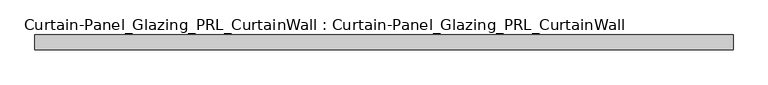
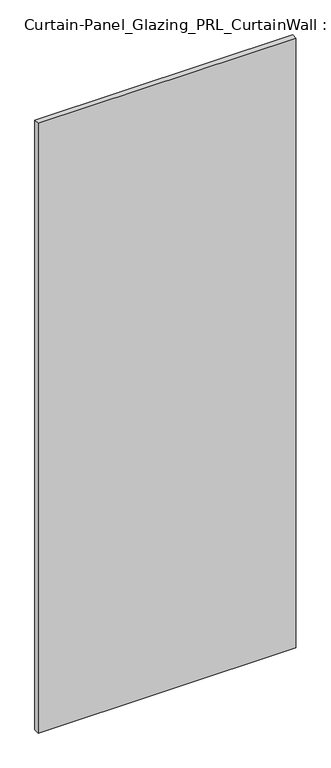
"""IFC4 building model written with IfcOpenShell, lengths in millimetres: plate geometry, Curtain-Panel_Glazing_PRL_CurtainWall : Curtain-Panel_Glazing_PRL_CurtainWall."""

import ifcopenshell
import ifcopenshell.guid

model = None  # the IFC model being written
_history = None  # IfcOwnerHistory: only IFC2X3 demands one
_inside = {}  # id of a spatial element -> (the spatial element, [elements in it])
_under = {}  # id of a project, library or spatial element -> (it, [spatial elements below it])
_declared = {}  # id of a project -> (the project, [libraries it declares])
_typed = {}  # id of a type object -> (the type object, [elements of that type])
_made_of = {}  # id of a material, layer set ... -> (it, [elements and type objects made of it])


def new_model(schema):
    """Start an empty IFC model of exactly this schema.

    Asked for "IFC4X3", IfcOpenShell would pick the latest addendum, in which some entities
    have other attributes; the version numbers below select the first issue.
    IFC2X3 requires an IfcOwnerHistory on every rooted entity: one is made here for all.
    """
    global model, _history
    if schema == "IFC4X3":
        model = ifcopenshell.file(schema_version=(4, 3, 0, 0))
    else:
        model = ifcopenshell.file(schema=schema)
    _inside.clear()
    _under.clear()
    _declared.clear()
    _typed.clear()
    _made_of.clear()
    _history = None
    if model.schema == "IFC2X3":
        org = make("IfcOrganization", Name="unknown")
        user = make(
            "IfcPersonAndOrganization",
            ThePerson=make("IfcPerson", FamilyName="unknown"),
            TheOrganization=org,
        )
        app = make(
            "IfcApplication",
            ApplicationDeveloper=org,
            Version="unknown",
            ApplicationFullName="unknown",
            ApplicationIdentifier="unknown",
        )
        _history = make(
            "IfcOwnerHistory",
            OwningUser=user,
            OwningApplication=app,
            ChangeAction="ADDED",
            CreationDate=0,
        )
    return model


def make(cls, **values):
    """One entity of the class cls with the attributes given. An attribute that is None is left unset."""
    return model.create_entity(
        cls, **{name: value for name, value in values.items() if value is not None}
    )


def rooted(cls, **values):
    """An entity with a GlobalId (a new one), such as an element, a storey or a relation."""
    return make(cls, GlobalId=ifcopenshell.guid.new(), OwnerHistory=_history, **values)


def si_unit(unit_type, name, prefix=None):
    """IfcSIUnit, for example si_unit("LENGTHUNIT", "METRE", prefix="MILLI")."""
    return make("IfcSIUnit", UnitType=unit_type, Prefix=prefix, Name=name)


def assignment(units):
    """IfcUnitAssignment: the units of a project."""
    return None if units is None else make("IfcUnitAssignment", Units=units)


def point(xyz):
    """IfcCartesianPoint."""
    return None if xyz is None else make("IfcCartesianPoint", Coordinates=xyz)


def direction(xyz):
    """IfcDirection."""
    return None if xyz is None else make("IfcDirection", DirectionRatios=xyz)


def frame(location, z_axis=None, x_axis=None):
    """IfcAxis2Placement3D, a coordinate frame: its origin and axes. An axis left out is left unset."""
    return make(
        "IfcAxis2Placement3D",
        Location=point(location),
        Axis=direction(z_axis),
        RefDirection=direction(x_axis),
    )


def origin():
    """The frame at (0, 0, 0) with its axes left unset."""
    return frame((0.0, 0.0, 0.0))


def origin_with_axes():
    """The frame at (0, 0, 0) with the z axis (0, 0, 1) and the x axis (1, 0, 0) written out."""
    return frame((0.0, 0.0, 0.0), z_axis=(0.0, 0.0, 1.0), x_axis=(1.0, 0.0, 0.0))


def place(relative_to, where):
    """IfcLocalPlacement: puts the frame where relative to a parent placement (None: the world)."""
    return make(
        "IfcLocalPlacement", PlacementRelTo=relative_to, RelativePlacement=where
    )


def context(
    kind, dimensions, precision=None, world=None, true_north=None, identifier=None
):
    """IfcGeometricRepresentationContext, for example the 3D "Model" context."""
    return make(
        "IfcGeometricRepresentationContext",
        ContextIdentifier=identifier,
        ContextType=kind,
        CoordinateSpaceDimension=dimensions,
        Precision=precision,
        WorldCoordinateSystem=world,
        TrueNorth=true_north,
    )


def project(units=None, contexts=None):
    """IfcProject with its units and contexts."""
    return rooted(
        "IfcProject",
        Name="project",
        RepresentationContexts=contexts,
        UnitsInContext=assignment(units),
    )


def spatial(cls, under=None, at=None, **own):
    """A site, building, storey or space (cls), placed at a placement, below another one or the project."""
    s = rooted(cls, ObjectPlacement=at, **own)
    if under is not None:
        _under.setdefault(under.id(), (under, []))[1].append(s)
    return s


def polyline(points):
    """IfcPolyline through the points."""
    return make("IfcPolyline", Points=[point(p) for p in points])


def outline(outer, holes=None, kind="AREA"):
    """IfcArbitraryClosedProfileDef: a profile drawn as a closed curve; with holes, ...WithVoids."""
    if holes is None:
        return make("IfcArbitraryClosedProfileDef", ProfileType=kind, OuterCurve=outer)
    return make(
        "IfcArbitraryProfileDefWithVoids",
        ProfileType=kind,
        OuterCurve=outer,
        InnerCurves=holes,
    )


def extrude(swept, where, along, depth):
    """IfcExtrudedAreaSolid: the profile swept, set in the frame where, extruded along a direction by depth."""
    return make(
        "IfcExtrudedAreaSolid",
        SweptArea=swept,
        Position=where,
        ExtrudedDirection=direction(along),
        Depth=depth,
    )


def shape(context_of_items, identifier, shape_type, items):
    """IfcShapeRepresentation: the items that make up one representation, for example the "Body"."""
    return make(
        "IfcShapeRepresentation",
        ContextOfItems=context_of_items,
        RepresentationIdentifier=identifier,
        RepresentationType=shape_type,
        Items=items,
    )


def source(mapping_origin, context_of_items, identifier, shape_type, items):
    """IfcRepresentationMap: a shape defined once, which mapped items show again and again."""
    return make(
        "IfcRepresentationMap",
        MappingOrigin=mapping_origin,
        MappedRepresentation=shape(context_of_items, identifier, shape_type, items),
    )


def transform(
    local_origin,
    x_axis=None,
    y_axis=None,
    z_axis=None,
    scale=None,
    scale2=None,
    scale3=None,
    uniform=True,
):
    """IfcCartesianTransformationOperator3D, or its non-uniform kind. x_axis, y_axis, z_axis: its Axis1, 2, 3."""
    if uniform:
        return make(
            "IfcCartesianTransformationOperator3D",
            Axis1=direction(x_axis),
            Axis2=direction(y_axis),
            LocalOrigin=point(local_origin),
            Scale=scale,
            Axis3=direction(z_axis),
        )
    return make(
        "IfcCartesianTransformationOperator3DnonUniform",
        Axis1=direction(x_axis),
        Axis2=direction(y_axis),
        LocalOrigin=point(local_origin),
        Scale=scale,
        Axis3=direction(z_axis),
        Scale2=scale2,
        Scale3=scale3,
    )


def mapped(mapping_source, mapping_target):
    """IfcMappedItem: shows the shape of a source again, moved by a transform."""
    return make(
        "IfcMappedItem", MappingSource=mapping_source, MappingTarget=mapping_target
    )


def made_of(thing, what):
    """Note that an element or type object is made of a material, layer set ...; save() writes the relation."""
    if what is not None:
        _made_of.setdefault(what.id(), (what, []))[1].append(thing)
    return thing


def element(
    cls,
    number,
    at=None,
    inside=None,
    cuts=None,
    type_object=None,
    material=None,
    context=None,
    identifier="Body",
    shape_type=None,
    held_by="IfcProductDefinitionShape",
    body=None,
    shapes=None,
    **own,
):
    """One element of the class cls, such as IfcWall. Its Tag is "e" and its number.

    at: its placement. inside: the storey or other place that contains it. cuts: it is an
    opening in that element (IfcRelVoidsElement). A single representation is given by context,
    identifier, shape_type and body (its items); several are given by shapes. held_by: the class
    of the entity that holds the representations. save() writes the other relations.
    """
    e = rooted(cls, Tag="e%d" % number, ObjectPlacement=at, **own)
    if body is not None:
        shapes = [shape(context, identifier, shape_type, body)]
    if shapes is not None:
        e.Representation = make(held_by, Representations=shapes)
    if inside is not None:
        _inside.setdefault(inside.id(), (inside, []))[1].append(e)
    if cuts is not None:
        rooted(
            "IfcRelVoidsElement", RelatingBuildingElement=cuts, RelatedOpeningElement=e
        )
    if type_object is not None:
        _typed.setdefault(type_object.id(), (type_object, []))[1].append(e)
    return made_of(e, material)


def aggregate(whole, parts):
    """IfcRelAggregates: a whole, such as a stair, and the parts it consists of."""
    return rooted("IfcRelAggregates", RelatingObject=whole, RelatedObjects=parts)


def save(model, path):
    """Write the relations noted so far, then the file.

    IfcRelAggregates (storeys below a building ...), IfcRelContainedInSpatialStructure (elements
    in a storey), IfcRelDefinesByType, IfcRelAssociatesMaterial and IfcRelDeclares: one each for
    every whole, place, type object, material and project.
    """
    for whole, parts in _under.values():
        aggregate(whole, parts)
    for where, things in _inside.values():
        rooted(
            "IfcRelContainedInSpatialStructure",
            RelatedElements=things,
            RelatingStructure=where,
        )
    for kind, things in _typed.values():
        rooted("IfcRelDefinesByType", RelatedObjects=things, RelatingType=kind)
    for what, things in _made_of.values():
        rooted("IfcRelAssociatesMaterial", RelatedObjects=things, RelatingMaterial=what)
    for by, libraries in _declared.values():
        rooted("IfcRelDeclares", RelatingContext=by, RelatedDefinitions=libraries)
    model.write(path)


def curtain_panel_glazing_prl_curtainwall_curtain_panel_glazing_9727b2f2(model_context):
    return source(origin(), model_context, "Body", "SweptSolid", [
        extrude(outline(polyline([(607.21875, -12.7), (-586.58125, -12.7), (-586.58125, 12.7), (607.21875, 12.7), (607.21875, -12.7)])), origin_with_axes(), (0.0, 0.0, 1.0), 2986.0875),
    ])


if __name__ == "__main__":
    model = new_model("IFC4")
    model_context = context("Model", 3, world=origin())
    ifc_project = project(units=[si_unit("LENGTHUNIT", "METRE", prefix="MILLI")], contexts=[model_context])
    site = spatial("IfcSite", under=ifc_project)
    building = spatial("IfcBuilding", under=site)
    placement = place(None, origin())
    curtain_panel_glazing_prl_curtainwall_curtain_panel_glazing_shape = curtain_panel_glazing_prl_curtainwall_curtain_panel_glazing_9727b2f2(model_context)
    element("IfcPlate", 1, ObjectType="Curtain-Panel_Glazing_PRL_CurtainWall : Curtain-Panel_Glazing_PRL_CurtainWall", at=placement, inside=building, context=model_context, shape_type="MappedRepresentation", body=[
        mapped(curtain_panel_glazing_prl_curtainwall_curtain_panel_glazing_shape, transform((0.0, 0.0, 0.0), x_axis=(1.0, 0.0, 0.0), y_axis=(0.0, 1.0, 0.0), z_axis=(0.0, 0.0, 1.0))),
    ])
    save(model, "model.ifc")
